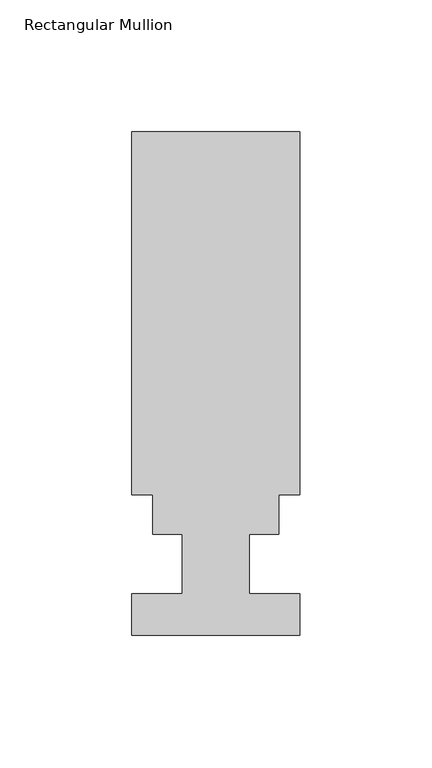
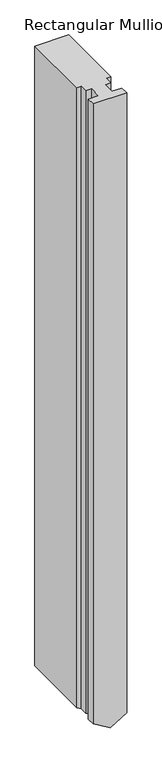
"""IFC4 building model written with IfcOpenShell, lengths in millimetres: member geometry, Rectangular Mullion."""

from ifc_helpers import new_model, si_unit, origin, place, context, project, spatial, faceted_brep, source, transform, mapped, element, save


def rectangular_mullion_3bb520ba(model_context):
    return source(origin(), model_context, "Body", "Brep", [
        faceted_brep([(31.75, 53.0629813, 0.0), (31.75, 190.4007812, 0.0), (-31.75, 190.4007812, 0.0), (-31.75, 53.0629813, 0.0), (-23.8252, 53.0629813, 0.0), (-23.8252, 38.0007812, 0.0), (-12.7, 38.0007812, 0.0), (-12.7, 15.5217812, 0.0), (-31.75, 15.5217812, 0.0), (-31.75, -0.3278188, 0.0), (31.75, -0.3278188, 0.0), (31.75, 15.5217812, 0.0), (12.7, 15.5217812, 0.0), (12.7, 38.0007812, 0.0), (23.8252, 38.0007812, 0.0), (23.8252, 53.0629813, 0.0), (31.75, 53.0629813, -1237.7545527), (31.75, 190.4007812, -1237.7545527), (-0.0376389, 190.4007812, -1256.1071546), (-31.75, 190.4007812, -1237.7980144), (-31.75, 53.0629813, -1237.7980144), (-23.8252, 53.0629813, -1242.3733998), (-23.8252, 38.0007812, -1242.3733998), (-12.7, 38.0007812, -1248.7965371), (-12.7, 15.5217812, -1248.7965371), (-31.75, 15.5217812, -1237.7980144), (-31.75, -0.3278188, -1237.7980144), (-0.0376389, -0.3278188, -1256.1071546), (31.75, -0.3278188, -1237.7545527), (31.75, 15.5217812, -1237.7545527), (12.7, 15.5217812, -1248.7530754), (12.7, 38.0007812, -1248.7530754), (23.8252, 38.0007812, -1242.3299381), (23.8252, 53.0629813, -1242.3299381)], [[[0, 1, 2, 3, 4, 5, 6, 7, 8, 9, 10, 11, 12, 13, 14, 15]], [[1, 0, 16, 17]], [[2, 1, 17, 18, 19]], [[3, 2, 19, 20]], [[4, 3, 20, 21]], [[5, 4, 21, 22]], [[6, 5, 22, 23]], [[7, 6, 23, 24]], [[8, 7, 24, 25]], [[9, 8, 25, 26]], [[10, 9, 26, 27, 28]], [[11, 10, 28, 29]], [[12, 11, 29, 30]], [[13, 12, 30, 31]], [[14, 13, 31, 32]], [[15, 14, 32, 33]], [[0, 15, 33, 16]], [[16, 33, 32, 31, 30, 29, 28, 27, 18, 17]], [[27, 26, 25, 24, 23, 22, 21, 20, 19, 18]]]),
    ])


if __name__ == "__main__":
    model = new_model("IFC4")
    model_context = context("Model", 3, world=origin())
    ifc_project = project(units=[si_unit("LENGTHUNIT", "METRE", prefix="MILLI")], contexts=[model_context])
    site = spatial("IfcSite", under=ifc_project)
    building = spatial("IfcBuilding", under=site)
    placement = place(None, origin())
    rectangular_mullion_shape = rectangular_mullion_3bb520ba(model_context)
    element("IfcMember", 1, ObjectType="Rectangular Mullion", at=placement, inside=building, context=model_context, shape_type="MappedRepresentation", body=[
        mapped(rectangular_mullion_shape, transform((0.0, 0.0, 0.0), x_axis=(1.0, 0.0, 0.0), y_axis=(0.0, 1.0, 0.0), z_axis=(0.0, 0.0, 1.0))),
    ])
    save(model, "model.ifc")
